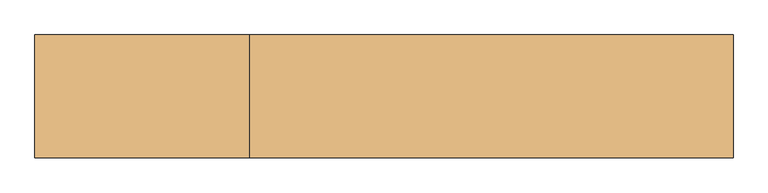
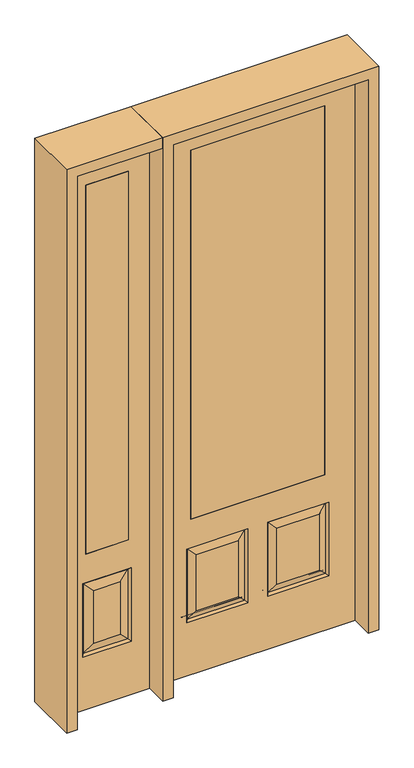
"""IFC4 building model written with IfcOpenShell, lengths in millimetres: door geometry."""

from ifc_helpers import new_model, si_unit, frame, origin, place, context, project, spatial, polyline, outline, extrude, faceted_brep, source, transform, mapped, element, save


def door_47e98479(model_context):
    return source(origin(), model_context, "Body", "SolidModel", [
        extrude(outline(polyline([(-539.75, -20.6375), (-717.55, -20.6375), (-717.55, 20.6375), (-539.75, 20.6375), (-539.75, -20.6375)])), frame((0.0, 0.0, 685.8), z_axis=(0.0, 0.0, 1.0), x_axis=(1.0, 0.0, 0.0)), (0.0, 0.0, 1.0), 1625.6),
        faceted_brep([(-806.45, -20.6375, 0.0), (-450.85, -20.6375, 0.0), (-450.85, -20.6375, 2438.4), (-806.45, -20.6375, 2438.4), (-527.05, -20.6375, 234.95), (-730.25, -20.6375, 234.95), (-730.25, -20.6375, 558.8), (-527.05, -20.6375, 558.8), (-539.75, -20.6375, 685.8), (-717.55, -20.6375, 685.8), (-717.55, -20.6375, 2311.4), (-539.75, -20.6375, 2311.4), (-684.2125, -20.6375, 280.9875), (-573.0875, -20.6375, 280.9875), (-573.0875, -20.6375, 512.7625), (-684.2125, -20.6375, 512.7625), (-806.45, 20.6375, 0.0), (-450.85, 20.6375, 0.0), (-450.85, 20.6375, 2438.4), (-806.45, 20.6375, 2438.4), (-536.0302561, -11.6572439, 243.9302561), (-721.2697439, -11.6572439, 243.9302561), (-721.2697439, -11.6572439, 549.8197439), (-536.0302561, -11.6572439, 549.8197439), (-730.25, 20.6375, 234.95), (-527.05, 20.6375, 234.95), (-527.05, 20.6375, 558.8), (-730.25, 20.6375, 558.8), (-717.55, 20.6375, 685.8), (-539.75, 20.6375, 685.8), (-539.75, 20.6375, 2311.4), (-717.55, 20.6375, 2311.4), (-573.0875, 20.6375, 280.9875), (-684.2125, 20.6375, 280.9875), (-684.2125, 20.6375, 512.7625), (-573.0875, 20.6375, 512.7625), (-721.2697439, 11.6572439, 243.9302561), (-536.0302561, 11.6572439, 243.9302561), (-536.0302561, 11.6572439, 549.8197439), (-721.2697439, 11.6572439, 549.8197439)], [[[0, 1, 2, 3], [4, 5, 6, 7], [8, 9, 10, 11]], [[12, 13, 14, 15]], [[1, 0, 16, 17]], [[2, 1, 17, 18]], [[0, 3, 19, 16]], [[20, 21, 5, 4]], [[5, 21, 22, 6]], [[6, 22, 23, 7]], [[20, 4, 7, 23]], [[21, 20, 13, 12]], [[13, 20, 23, 14]], [[22, 15, 14, 23]], [[21, 12, 15, 22]], [[16, 19, 18, 17], [24, 25, 26, 27], [28, 29, 30, 31]], [[32, 33, 34, 35]], [[24, 36, 37, 25]], [[25, 37, 38, 26]], [[39, 27, 26, 38]], [[36, 24, 27, 39]], [[37, 36, 33, 32]], [[33, 36, 39, 34]], [[34, 39, 38, 35]], [[37, 32, 35, 38]], [[3, 2, 18, 19]], [[8, 29, 28, 9]], [[9, 28, 31, 10]], [[29, 8, 11, 30]], [[30, 11, 10, 31]]]),
        faceted_brep([(279.4, 20.6375, 685.8), (279.4, -20.6375, 685.8), (279.4, -20.6375, 2311.4), (279.4, 20.6375, 2311.4), (-279.4, 20.6375, 685.8), (-279.4, -20.6375, 685.8), (-80.1727627, 20.6375, 273.8477627), (-256.3772373, 20.6375, 273.8477627), (-256.3772373, 20.6375, 520.4102373), (-80.1727627, 20.6375, 520.4102373), (256.3772373, 20.6375, 273.8477627), (80.1727627, 20.6375, 273.8477627), (80.1727627, 20.6375, 520.4102373), (256.3772373, 20.6375, 520.4102373), (-406.4, 20.6375, 2438.4), (406.4, 20.6375, 2438.4), (406.4, 20.6375, 0.0), (-406.4, 20.6375, 0.0), (-279.4, 20.6375, 2311.4), (-295.275, 20.6375, 234.95), (-41.275, 20.6375, 234.95), (-41.275, 20.6375, 559.308), (-295.275, 20.6375, 559.308), (41.275, 20.6375, 234.95), (295.275, 20.6375, 234.95), (295.275, 20.6375, 559.308), (41.275, 20.6375, 559.308), (-279.4, -20.6375, 2311.4), (80.1727627, -20.6375, 273.8477627), (256.3772373, -20.6375, 273.8477627), (256.3772373, -20.6375, 520.4102373), (80.1727627, -20.6375, 520.4102373), (-256.3772373, -20.6375, 273.8477627), (-80.1727627, -20.6375, 273.8477627), (-80.1727627, -20.6375, 520.4102373), (-256.3772373, -20.6375, 520.4102373), (406.4, -20.6375, 2438.4), (-406.4, -20.6375, 2438.4), (-406.4, -20.6375, 0.0), (406.4, -20.6375, 0.0), (295.275, -20.6375, 234.95), (41.275, -20.6375, 234.95), (41.275, -20.6375, 559.308), (295.275, -20.6375, 559.308), (-41.275, -20.6375, 234.95), (-295.275, -20.6375, 234.95), (-295.275, -20.6375, 559.308), (-41.275, -20.6375, 559.308), (-287.8714647, 11.4399763, 242.3535353), (-48.6785353, 11.4399763, 242.3535353), (-48.6785353, 11.4399763, 551.9044647), (-287.8714647, 11.4399763, 551.9044647), (48.6785353, 11.4399763, 242.3535353), (287.8714647, 11.4399763, 242.3535353), (287.8714647, 11.4399763, 551.9044647), (48.6785353, 11.4399763, 551.9044647), (287.8714647, -11.4399763, 242.3535353), (48.6785353, -11.4399763, 242.3535353), (48.6785353, -11.4399763, 551.9044647), (287.8714647, -11.4399763, 551.9044647), (-48.6785353, -11.4399763, 242.3535353), (-287.8714647, -11.4399763, 242.3535353), (-287.8714647, -11.4399763, 551.9044647), (-48.6785353, -11.4399763, 551.9044647)], [[[0, 1, 2, 3]], [[1, 0, 4, 5]], [[6, 7, 8, 9]], [[10, 11, 12, 13]], [[14, 15, 16, 17], [4, 0, 3, 18], [19, 20, 21, 22], [23, 24, 25, 26]], [[5, 4, 18, 27]], [[28, 29, 30, 31]], [[32, 33, 34, 35]], [[36, 37, 38, 39], [1, 5, 27, 2], [40, 41, 42, 43], [44, 45, 46, 47]], [[39, 38, 17, 16]], [[37, 14, 17, 38]], [[15, 36, 39, 16]], [[19, 48, 49, 20]], [[20, 49, 50, 21]], [[51, 22, 21, 50]], [[48, 19, 22, 51]], [[49, 48, 7, 6]], [[7, 48, 51, 8]], [[8, 51, 50, 9]], [[49, 6, 9, 50]], [[52, 53, 24, 23]], [[24, 53, 54, 25]], [[25, 54, 55, 26]], [[52, 23, 26, 55]], [[53, 52, 11, 10]], [[11, 52, 55, 12]], [[54, 13, 12, 55]], [[53, 10, 13, 54]], [[40, 56, 57, 41]], [[41, 57, 58, 42]], [[59, 43, 42, 58]], [[56, 40, 43, 59]], [[57, 56, 29, 28]], [[29, 56, 59, 30]], [[30, 59, 58, 31]], [[57, 28, 31, 58]], [[60, 61, 45, 44]], [[45, 61, 62, 46]], [[46, 62, 63, 47]], [[60, 44, 47, 63]], [[61, 60, 33, 32]], [[33, 60, 63, 34]], [[62, 35, 34, 63]], [[61, 32, 35, 62]], [[3, 2, 27, 18]], [[36, 15, 14, 37]]]),
        extrude(outline(polyline([(279.4, -20.6375), (-279.4, -20.6375), (-279.4, 20.6375), (279.4, 20.6375), (279.4, -20.6375)])), frame((0.0, 0.0, 685.8), z_axis=(0.0, 0.0, 1.0), x_axis=(1.0, 0.0, 0.0)), (0.0, 0.0, 1.0), 1625.6),
        extrude(outline(polyline([(2438.4, -450.85), (2482.85, -450.85), (2482.85, -850.9), (0.0, -850.9), (0.0, -806.45), (2438.4, -806.45), (2438.4, -450.85)])), frame((0.0, -114.3, 0.0), z_axis=(0.0, 1.0, 0.0), x_axis=(0.0, 0.0, 1.0)), (0.0, 0.0, 1.0), 228.6),
        extrude(outline(polyline([(2482.85, -450.85), (0.0, -450.85), (0.0, -406.4), (2438.4, -406.4), (2438.4, 406.4), (0.0, 406.4), (0.0, 450.85), (2482.85, 450.85), (2482.85, -450.85)])), frame((0.0, -114.3, 0.0), z_axis=(0.0, 1.0, 0.0), x_axis=(0.0, 0.0, 1.0)), (0.0, 0.0, 1.0), 228.6),
    ])


if __name__ == "__main__":
    model = new_model("IFC4")
    model_context = context("Model", 3, world=origin())
    ifc_project = project(units=[si_unit("LENGTHUNIT", "METRE", prefix="MILLI")], contexts=[model_context])
    site = spatial("IfcSite", under=ifc_project)
    building = spatial("IfcBuilding", under=site)
    placement = place(None, origin())
    door_shape = door_47e98479(model_context)
    element("IfcDoor", 1, at=placement, inside=building, context=model_context, shape_type="MappedRepresentation", body=[
        mapped(door_shape, transform((0.0, 0.0, 0.0), x_axis=(1.0, 0.0, 0.0), y_axis=(0.0, 1.0, 0.0), z_axis=(0.0, 0.0, 1.0))),
    ])
    save(model, "model.ifc")
